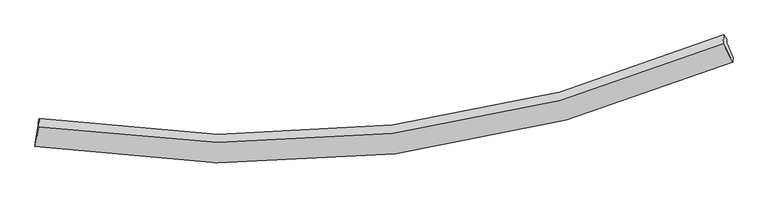
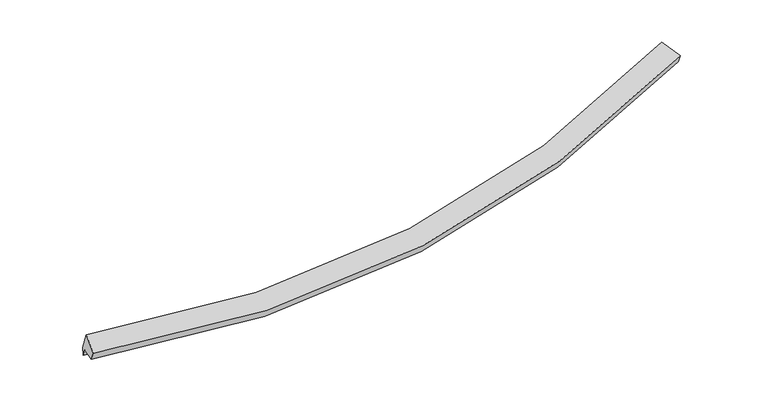
"""IFC4 building model written with IfcOpenShell, lengths in millimetres: proxy geometry."""

from ifc_helpers import new_model, si_unit, frame, origin, place, context, project, spatial, source, transform, mapped, element, save
from ifc_brep_helpers import plane_surface, spline_curve, spline_surface, advanced_brep


def generic_models_6d85c244(model_context):
    return source(origin(), model_context, "Body", "AdvancedBrep", [
        advanced_brep(
        [(-6220.7932377, -2321.6168962, 1580.8570155), (-6167.3489186, -2011.0267962, 1572.3657155), (6013.7606695, -552.8654739, 2486.528429), (6127.1539194, -824.853258, 2514.8874622), (-6163.6697846, -1948.9394076, 1422.9142988), (6017.3071928, -493.0159645, 2342.4638423), (-6148.6315628, -1895.2975554, 1543.9608333), (5959.3723797, -413.7460331, 2454.5573844), (-6157.3934927, -2043.1598891, 1899.8823136), (5950.2707301, -567.3413208, 2824.2787381), (-6225.0273499, -2393.0698429, 1752.8523973), (6122.8152576, -898.070536, 2691.1297906)],
        [
            (0, 1),
            (1, 2, spline_curve(3, [(-6167.3489186, -2011.0267962, 1572.3657155), (-4027.244643396, -2348.421917121, 1482.033184964), (-1931.73932875, -2391.198877578, 1515.163535373), (2126.766937555, -1892.834295431, 1825.043414897), (4091.631486525, -1364.003560737, 2096.633968611), (6013.7606695, -552.8654739, 2486.528429)], [4, 2, 4], [0.0, 20.784183443041105, 41.12949313299081])),
            (2, 3),
            (3, 0, spline_curve(3, [(6127.1539194, -824.853258, 2514.8874622), (4182.745789513, -1657.859929565, 2105.584696715), (2193.014897243, -2200.890205691, 1822.565942234), (-1920.991061526, -2712.456655932, 1505.715489682), (-4047.242554986, -2668.347592681, 1477.390761997), (-6220.7932377, -2321.6168962, 1580.8570155)], [4, 2, 4], [0.0, 20.345309689949705, 41.12949313299081])),
            (1, 4),
            (4, 5, spline_curve(3, [(-6163.6697846, -1948.9394076, 1422.9142988), (-4023.117189991, -2278.768898251, 1314.370435191), (-1927.401395811, -2317.993899367, 1338.950814881), (2131.05072854, -1820.542991645, 1651.0300111), (4095.660594364, -1296.010175663, 1932.966145142), (6017.3071928, -493.0159645, 2342.4638423)], [4, 2, 4], [0.0, 20.63590631207356, 40.83606985482247])),
            (5, 2),
            (4, 6),
            (6, 7, spline_curve(3, [(-6148.6315628, -1895.2975554, 1543.9608333), (-4016.739707949, -2231.59364066, 1447.452338678), (-1931.519632374, -2271.835944678, 1477.224101493), (2102.531471876, -1765.614641161, 1786.032986067), (4053.312710373, -1231.521830098, 2059.79340699), (5959.3723797, -413.7460331, 2454.5573844)], [4, 2, 4], [0.0, 20.580691338607867, 40.726805813816526])),
            (7, 5),
            (6, 8),
            (8, 9, spline_curve(3, [(-6157.3934927, -2043.1598891, 1899.8823136), (-4025.315754207, -2376.319088089, 1795.822975059), (-1940.032646101, -2415.497680507, 1823.034264848), (2093.900084908, -1911.273991119, 2136.651633211), (4044.505050719, -1380.155875569, 2417.572485159), (5950.2707301, -567.3413208, 2824.2787381)], [4, 2, 4], [0.0, 20.525448619550374, 40.61748686749614])),
            (9, 7),
            (8, 10),
            (10, 11, spline_curve(3, [(-6225.0273499, -2393.0698429, 1752.8523973), (-4051.367339365, -2737.955573119, 1644.945099926), (-1925.070664643, -2781.302178623, 1671.434505122), (2188.897763631, -2270.369072082, 1989.80948784), (4178.548625205, -1728.689364165, 2276.079213875), (6122.8152576, -898.070536, 2691.1297906)], [4, 2, 4], [0.0, 20.72915869492793, 41.02060552593771])),
            (11, 9),
            (10, 0),
            (3, 11),
        ],
        [
            spline_surface(3, 3, [[(-6220.7932377, -2321.6168962, 1580.8570155), (-4047.242555224, -2668.347592622, 1477.390762241), (-1920.991061612, -2712.456656108, 1505.715489758), (2193.014897328, -2200.890205517, 1822.56594216), (4182.745789411, -1657.859929307, 2105.584696836), (6127.1539194, -824.853258, 2514.8874622)], [(-6202.978464677, -2218.086862851, 1578.026582179), (-4040.57658451, -2561.705700686, 1478.9382364), (-1924.573817365, -2605.370729868, 1508.864838287), (2170.932244157, -2098.204902231, 1823.391766455), (4152.374355045, -1559.90780654, 2102.601120842), (6089.356169438, -734.190663297, 2505.434451118)], [(-6185.163691623, -2114.556829549, 1575.196148821), (-4033.910613766, -2455.063808795, 1480.485710522), (-1928.156573189, -2498.284803607, 1512.014186755), (2148.849590913, -1995.519598923, 1824.217590689), (4122.002920663, -1461.955683781, 2099.617544892), (6051.558419462, -643.528068603, 2495.981440082)], [(-6167.3489186, -2011.0267962, 1572.3657155), (-4027.244643052, -2348.421916859, 1482.033184681), (-1931.739328941, -2391.198877367, 1515.163535283), (2126.766937742, -1892.834295637, 1825.043414984), (4091.631486297, -1364.003561014, 2096.633968898), (6013.7606695, -552.8654739, 2486.528429)]], [4, 4], [4, 2, 4], [0.0, 1.0404407654430272], [0.0, 20.784183443041105, 41.12949313299081]),
            spline_surface(3, 3, [[(-6167.3489186, -2011.0267962, 1572.3657155), (-4027.244643052, -2348.421916859, 1482.033184681), (-1931.739328941, -2391.198877367, 1515.163535283), (2126.766937742, -1892.834295637, 1825.043414984), (4091.631486297, -1364.003561014, 2096.633968898), (6013.7606695, -552.8654739, 2486.528429)], [(-6166.122540581, -1990.331000009, 1522.548576587), (-4025.868825308, -2325.204244025, 1426.14560142), (-1930.293351301, -2366.79721812, 1456.425961856), (2128.194868092, -1868.737194226, 1767.038946961), (4092.974522219, -1341.339099256, 2042.078027714), (6014.942843924, -532.915637429, 2438.506900106)], [(-6164.896162619, -1969.635203791, 1472.731437713), (-4024.493007622, -2301.986571165, 1370.258018198), (-1928.847373685, -2342.395558866, 1397.688388463), (2129.622798419, -1844.640092809, 1709.034478972), (4094.31755817, -1318.674637513, 1987.522086512), (6016.125018376, -512.965800971, 2390.485371194)], [(-6163.6697846, -1948.9394076, 1422.9142988), (-4023.117189878, -2278.768898332, 1314.370434937), (-1927.401396045, -2317.993899619, 1338.950815036), (2131.050728769, -1820.542991398, 1651.030010949), (4095.660594092, -1296.010175755, 1932.966145328), (6017.3071928, -493.0159645, 2342.4638423)]], [4, 4], [4, 2, 4], [0.0, 0.6223553143893414], [0.0, 20.63590631207356, 40.83606985482247]),
            spline_surface(3, 3, [[(-6163.6697846, -1948.9394076, 1422.9142988), (-4023.117189878, -2278.768898332, 1314.370434937), (-1927.401396045, -2317.993899619, 1338.950815036), (2131.050728769, -1820.542991398, 1651.030010949), (4095.660594092, -1296.010175755, 1932.966145328), (6017.3071928, -493.0159645, 2342.4638423)], [(-6158.657044007, -1931.058790193, 1463.26314365), (-4020.99136261, -2263.043812533, 1358.731069463), (-1928.774141496, -2302.607914623, 1385.041910474), (2121.544309751, -1802.233541336, 1696.031002678), (4081.544632803, -1274.514060545, 1975.241899212), (5997.995588425, -466.592654054, 2379.828356353)], [(-6153.644303393, -1913.178172807, 1503.61198845), (-4018.865535321, -2247.318726755, 1403.091703939), (-1930.146886854, -2287.221929624, 1431.133005948), (2112.037890826, -1783.924091272, 1741.031994442), (4067.428671539, -1253.017945271, 2017.517653038), (5978.683984075, -440.169343546, 2417.192870347)], [(-6148.6315628, -1895.2975554, 1543.9608333), (-4016.739708053, -2231.593640956, 1447.452338465), (-1931.519632305, -2271.835944628, 1477.224101386), (2102.531471808, -1765.61464121, 1786.032986172), (4053.312710251, -1231.52183006, 2059.793406923), (5959.3723797, -413.7460331, 2454.5573844)]], [4, 4], [4, 2, 4], [0.0, 0.4808655360139618], [0.0, 20.580691338607867, 40.726805813816526]),
            spline_surface(3, 3, [[(-6148.6315628, -1895.2975554, 1543.9608333), (-4016.739708053, -2231.593640956, 1447.452338465), (-1931.519632305, -2271.835944628, 1477.224101386), (2102.531471808, -1765.61464121, 1786.032986172), (4053.312710251, -1231.52183006, 2059.793406923), (5959.3723797, -413.7460331, 2454.5573844)], [(-6151.552206107, -1944.584999962, 1662.601326748), (-4019.598390166, -2279.835456653, 1563.575884124), (-1934.35730352, -2319.723189995, 1592.494155873), (2099.654342831, -1814.167757787, 1902.90586851), (4050.376823747, -1281.066511855, 2179.05309969), (5956.338496507, -464.944462327, 2577.797835618)], [(-6154.472849393, -1993.872444538, 1781.241820152), (-4022.457072256, -2328.077272362, 1679.699429739), (-1937.194974793, -2367.610435342, 1707.764210373), (2096.777213795, -1862.720874344, 2019.778750862), (4047.440937221, -1330.611193669, 2298.312792505), (5953.304613293, -516.142891573, 2701.038286882)], [(-6157.3934927, -2043.1598891, 1899.8823136), (-4025.315754369, -2376.319088059, 1795.822975399), (-1940.032646008, -2415.497680709, 1823.03426486), (2093.900084817, -1911.27399092, 2136.6516332), (4044.505050717, -1380.155875463, 2417.572485273), (5950.2707301, -567.3413208, 2824.2787381)]], [4, 4], [4, 2, 4], [0.0, 1.2372415336886309], [0.0, 20.525448619550374, 40.61748686749614]),
            spline_surface(3, 3, [[(-6157.3934927, -2043.1598891, 1899.8823136), (-4025.315754369, -2376.319088059, 1795.822975399), (-1940.032646008, -2415.497680709, 1823.03426486), (2093.900084817, -1911.27399092, 2136.6516332), (4044.505050717, -1380.155875463, 2417.572485273), (5950.2707301, -567.3413208, 2824.2787381)], [(-6179.938111762, -2159.79654037, 1850.872341497), (-4033.999616111, -2496.864583047, 1745.530350253), (-1935.045318952, -2537.432513378, 1772.501011602), (2125.565977821, -2030.97235124, 2087.704251482), (4089.186242111, -1496.333704918, 2370.408061531), (6007.785572605, -677.584392519, 2779.895755588)], [(-6202.482730838, -2276.43319163, 1801.862369403), (-4042.683477869, -2617.410078024, 1695.237725116), (-1930.057991898, -2659.367346104, 1721.967758257), (2157.231870822, -2150.670711616, 2038.756869677), (4133.867433489, -1612.511534416, 2323.243637823), (6065.300415095, -787.827464281, 2735.512773112)], [(-6225.0273499, -2393.0698429, 1752.8523973), (-4051.367339612, -2737.955573012, 1644.94509997), (-1925.070664842, -2781.302178773, 1671.434505), (2188.897763826, -2270.369071935, 1989.80948796), (4178.548624883, -1728.68936387, 2276.079214081), (6122.8152576, -898.070536, 2691.1297906)]], [4, 4], [4, 2, 4], [0.0, 1.298446994488351], [0.0, 20.72915869492793, 41.02060552593771]),
            spline_surface(3, 3, [[(-6225.0273499, -2393.0698429, 1752.8523973), (-4051.367339612, -2737.955573012, 1644.94509997), (-1925.070664842, -2781.302178773, 1671.434505), (2188.897763826, -2270.369071935, 1989.80948796), (4178.548624883, -1728.68936387, 2276.079214081), (6122.8152576, -898.070536, 2691.1297906)], [(-6223.615979166, -2369.252194015, 1695.520603339), (-4049.992411482, -2714.752912897, 1589.093654032), (-1923.71079712, -2758.35367122, 1616.194833231), (2190.270141639, -2247.209449798, 1934.061639338), (4179.947679725, -1705.079552357, 2219.24770835), (6124.2614782, -873.664776675, 2632.382347817)], [(-6222.204608434, -2345.434545085, 1638.188809461), (-4048.617483354, -2691.550252737, 1533.242208178), (-1922.350929335, -2735.405163661, 1560.955161527), (2191.642519514, -2224.049827655, 1878.313790782), (4181.346734569, -1681.46974082, 2162.416202568), (6125.7076988, -849.259017325, 2573.634904983)], [(-6220.7932377, -2321.6168962, 1580.8570155), (-4047.242555224, -2668.347592622, 1477.390762241), (-1920.991061612, -2712.456656108, 1505.715489758), (2193.014897328, -2200.890205517, 1822.56594216), (4182.745789411, -1657.859929307, 2105.584696836), (6127.1539194, -824.853258, 2514.8874622)]], [4, 4], [4, 2, 4], [0.0, 0.5915547087274947], [0.0, 20.932707001008175, 41.42340406166572]),
            plane_surface(frame((6031.7800249, -624.9820977, 2552.3076078), z_axis=(0.8998404183946245, 0.39454840301017946, 0.18606122407827075), x_axis=(0.4356267440207865, -0.8349989027480961, -0.33616390690156484))),
            plane_surface(frame((-6180.477391, -2102.1850645, 1628.805429), z_axis=(-0.9842289214899924, 0.17063530511100775, 0.04665857640691642), x_axis=(-0.022727985331563092, -0.3835471158691342, 0.9232415981698601))),
        ],
        [
            (0, [[1, 2, 3, 4]]),
            (1, [[5, 6, 7, -2]]),
            (2, [[8, 9, 10, -6]]),
            (3, [[11, 12, 13, -9]]),
            (4, [[14, 15, 16, -12]]),
            (5, [[17, -4, 18, -15]]),
            (6, [[-16, -18, -3, -7, -10, -13]]),
            (7, [[-17, -14, -11, -8, -5, -1]]),
        ],
    ),
    ])


if __name__ == "__main__":
    model = new_model("IFC4")
    model_context = context("Model", 3, world=origin())
    ifc_project = project(units=[si_unit("LENGTHUNIT", "METRE", prefix="MILLI")], contexts=[model_context])
    site = spatial("IfcSite", under=ifc_project)
    building = spatial("IfcBuilding", under=site)
    placement = place(None, origin())
    generic_models_shape = generic_models_6d85c244(model_context)
    element("IfcBuildingElementProxy", 1, Name="Generic Models", at=placement, inside=building, context=model_context, shape_type="MappedRepresentation", body=[
        mapped(generic_models_shape, transform((0.0, 0.0, 0.0), x_axis=(1.0, 0.0, 0.0), y_axis=(0.0, 1.0, 0.0), z_axis=(0.0, 0.0, 1.0))),
    ])
    save(model, "model.ifc")
